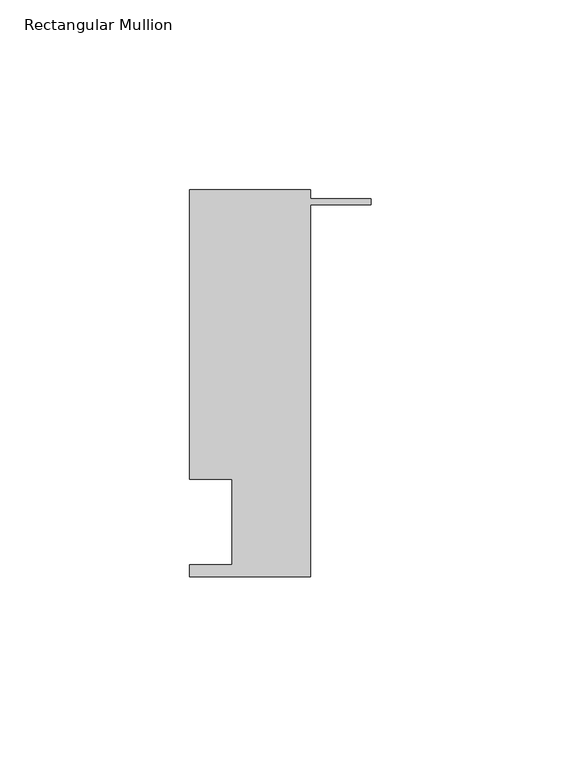
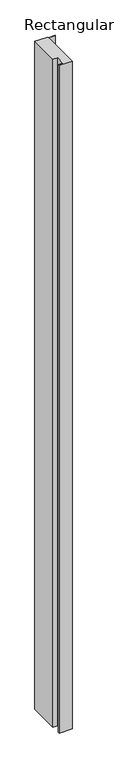
"""IFC4 building model written with IfcOpenShell, lengths in millimetres: member geometry, Rectangular Mullion."""

from ifc_helpers import new_model, si_unit, frame, origin, place, context, project, spatial, polyline, outline, extrude, source, transform, mapped, element, save


def rectangular_mullion_8fe8d9c1(model_context):
    return source(origin(), model_context, "Body", "SweptSolid", [
        extrude(outline(polyline([(-36.6424407, 17.0149409), (-36.6424407, 39.4890625), (-47.7662542, 39.4890625), (-47.7662542, 115.6890625), (-16.0176407, 115.6890625), (-16.0176407, 113.4030625), (0.0, 113.4030625), (0.0, 111.8282625), (-16.0176407, 111.8282625), (-16.0176407, 13.8350625), (-47.7676407, 13.8350625), (-47.7676407, 17.0149409), (-36.6424407, 17.0149409)])), frame((0.0, 0.0, -1720.2442516), z_axis=(0.0, 0.0, 1.0), x_axis=(1.0, 0.0, 0.0)), (0.0, 0.0, 1.0), 1720.2442516),
    ])


if __name__ == "__main__":
    model = new_model("IFC4")
    model_context = context("Model", 3, world=origin())
    ifc_project = project(units=[si_unit("LENGTHUNIT", "METRE", prefix="MILLI")], contexts=[model_context])
    site = spatial("IfcSite", under=ifc_project)
    building = spatial("IfcBuilding", under=site)
    placement = place(None, origin())
    rectangular_mullion_shape = rectangular_mullion_8fe8d9c1(model_context)
    element("IfcMember", 1, ObjectType="Rectangular Mullion", at=placement, inside=building, context=model_context, shape_type="MappedRepresentation", body=[
        mapped(rectangular_mullion_shape, transform((0.0, 0.0, 0.0), x_axis=(1.0, 0.0, 0.0), y_axis=(0.0, 1.0, 0.0), z_axis=(0.0, 0.0, 1.0))),
    ])
    save(model, "model.ifc")
